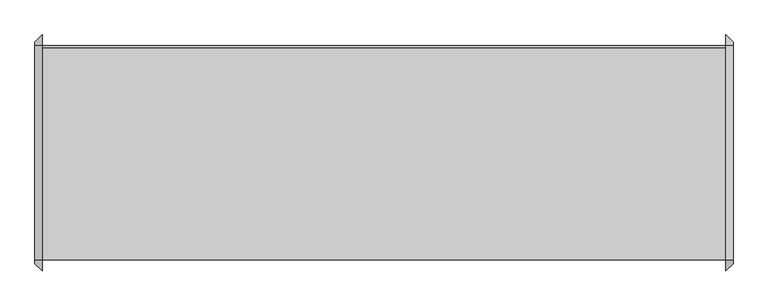
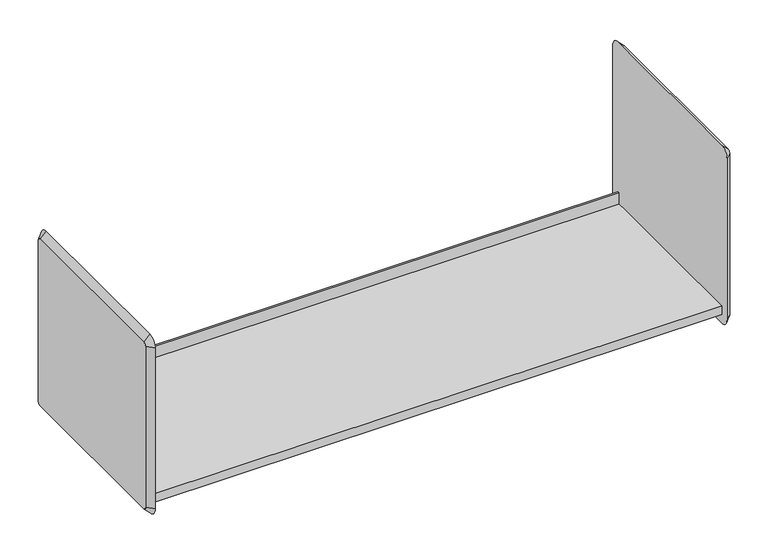
"""IFC4 building model written with IfcOpenShell, lengths in millimetres: furniture geometry."""

import ifcopenshell
import ifcopenshell.guid

model = None  # the IFC model being written
_history = None  # IfcOwnerHistory: only IFC2X3 demands one
_inside = {}  # id of a spatial element -> (the spatial element, [elements in it])
_under = {}  # id of a project, library or spatial element -> (it, [spatial elements below it])
_declared = {}  # id of a project -> (the project, [libraries it declares])
_typed = {}  # id of a type object -> (the type object, [elements of that type])
_made_of = {}  # id of a material, layer set ... -> (it, [elements and type objects made of it])


def new_model(schema):
    """Start an empty IFC model of exactly this schema.

    Asked for "IFC4X3", IfcOpenShell would pick the latest addendum, in which some entities
    have other attributes; the version numbers below select the first issue.
    IFC2X3 requires an IfcOwnerHistory on every rooted entity: one is made here for all.
    """
    global model, _history
    if schema == "IFC4X3":
        model = ifcopenshell.file(schema_version=(4, 3, 0, 0))
    else:
        model = ifcopenshell.file(schema=schema)
    _inside.clear()
    _under.clear()
    _declared.clear()
    _typed.clear()
    _made_of.clear()
    _history = None
    if model.schema == "IFC2X3":
        org = make("IfcOrganization", Name="unknown")
        user = make(
            "IfcPersonAndOrganization",
            ThePerson=make("IfcPerson", FamilyName="unknown"),
            TheOrganization=org,
        )
        app = make(
            "IfcApplication",
            ApplicationDeveloper=org,
            Version="unknown",
            ApplicationFullName="unknown",
            ApplicationIdentifier="unknown",
        )
        _history = make(
            "IfcOwnerHistory",
            OwningUser=user,
            OwningApplication=app,
            ChangeAction="ADDED",
            CreationDate=0,
        )
    return model


def make(cls, **values):
    """One entity of the class cls with the attributes given. An attribute that is None is left unset."""
    return model.create_entity(
        cls, **{name: value for name, value in values.items() if value is not None}
    )


def rooted(cls, **values):
    """An entity with a GlobalId (a new one), such as an element, a storey or a relation."""
    return make(cls, GlobalId=ifcopenshell.guid.new(), OwnerHistory=_history, **values)


def si_unit(unit_type, name, prefix=None):
    """IfcSIUnit, for example si_unit("LENGTHUNIT", "METRE", prefix="MILLI")."""
    return make("IfcSIUnit", UnitType=unit_type, Prefix=prefix, Name=name)


def assignment(units):
    """IfcUnitAssignment: the units of a project."""
    return None if units is None else make("IfcUnitAssignment", Units=units)


def point(xyz):
    """IfcCartesianPoint."""
    return None if xyz is None else make("IfcCartesianPoint", Coordinates=xyz)


def direction(xyz):
    """IfcDirection."""
    return None if xyz is None else make("IfcDirection", DirectionRatios=xyz)


def frame(location, z_axis=None, x_axis=None):
    """IfcAxis2Placement3D, a coordinate frame: its origin and axes. An axis left out is left unset."""
    return make(
        "IfcAxis2Placement3D",
        Location=point(location),
        Axis=direction(z_axis),
        RefDirection=direction(x_axis),
    )


def origin():
    """The frame at (0, 0, 0) with its axes left unset."""
    return frame((0.0, 0.0, 0.0))


def place(relative_to, where):
    """IfcLocalPlacement: puts the frame where relative to a parent placement (None: the world)."""
    return make(
        "IfcLocalPlacement", PlacementRelTo=relative_to, RelativePlacement=where
    )


def context(
    kind, dimensions, precision=None, world=None, true_north=None, identifier=None
):
    """IfcGeometricRepresentationContext, for example the 3D "Model" context."""
    return make(
        "IfcGeometricRepresentationContext",
        ContextIdentifier=identifier,
        ContextType=kind,
        CoordinateSpaceDimension=dimensions,
        Precision=precision,
        WorldCoordinateSystem=world,
        TrueNorth=true_north,
    )


def project(units=None, contexts=None):
    """IfcProject with its units and contexts."""
    return rooted(
        "IfcProject",
        Name="project",
        RepresentationContexts=contexts,
        UnitsInContext=assignment(units),
    )


def spatial(cls, under=None, at=None, **own):
    """A site, building, storey or space (cls), placed at a placement, below another one or the project."""
    s = rooted(cls, ObjectPlacement=at, **own)
    if under is not None:
        _under.setdefault(under.id(), (under, []))[1].append(s)
    return s


def polyline(points):
    """IfcPolyline through the points."""
    return make("IfcPolyline", Points=[point(p) for p in points])


def circle_curve(where, radius):
    """IfcCircle in the frame where."""
    return make("IfcCircle", Position=where, Radius=radius)


def outline(outer, holes=None, kind="AREA"):
    """IfcArbitraryClosedProfileDef: a profile drawn as a closed curve; with holes, ...WithVoids."""
    if holes is None:
        return make("IfcArbitraryClosedProfileDef", ProfileType=kind, OuterCurve=outer)
    return make(
        "IfcArbitraryProfileDefWithVoids",
        ProfileType=kind,
        OuterCurve=outer,
        InnerCurves=holes,
    )


def extrude(swept, where, along, depth):
    """IfcExtrudedAreaSolid: the profile swept, set in the frame where, extruded along a direction by depth."""
    return make(
        "IfcExtrudedAreaSolid",
        SweptArea=swept,
        Position=where,
        ExtrudedDirection=direction(along),
        Depth=depth,
    )


def shape(context_of_items, identifier, shape_type, items):
    """IfcShapeRepresentation: the items that make up one representation, for example the "Body"."""
    return make(
        "IfcShapeRepresentation",
        ContextOfItems=context_of_items,
        RepresentationIdentifier=identifier,
        RepresentationType=shape_type,
        Items=items,
    )


def source(mapping_origin, context_of_items, identifier, shape_type, items):
    """IfcRepresentationMap: a shape defined once, which mapped items show again and again."""
    return make(
        "IfcRepresentationMap",
        MappingOrigin=mapping_origin,
        MappedRepresentation=shape(context_of_items, identifier, shape_type, items),
    )


def transform(
    local_origin,
    x_axis=None,
    y_axis=None,
    z_axis=None,
    scale=None,
    scale2=None,
    scale3=None,
    uniform=True,
):
    """IfcCartesianTransformationOperator3D, or its non-uniform kind. x_axis, y_axis, z_axis: its Axis1, 2, 3."""
    if uniform:
        return make(
            "IfcCartesianTransformationOperator3D",
            Axis1=direction(x_axis),
            Axis2=direction(y_axis),
            LocalOrigin=point(local_origin),
            Scale=scale,
            Axis3=direction(z_axis),
        )
    return make(
        "IfcCartesianTransformationOperator3DnonUniform",
        Axis1=direction(x_axis),
        Axis2=direction(y_axis),
        LocalOrigin=point(local_origin),
        Scale=scale,
        Axis3=direction(z_axis),
        Scale2=scale2,
        Scale3=scale3,
    )


def mapped(mapping_source, mapping_target):
    """IfcMappedItem: shows the shape of a source again, moved by a transform."""
    return make(
        "IfcMappedItem", MappingSource=mapping_source, MappingTarget=mapping_target
    )


def made_of(thing, what):
    """Note that an element or type object is made of a material, layer set ...; save() writes the relation."""
    if what is not None:
        _made_of.setdefault(what.id(), (what, []))[1].append(thing)
    return thing


def element(
    cls,
    number,
    at=None,
    inside=None,
    cuts=None,
    type_object=None,
    material=None,
    context=None,
    identifier="Body",
    shape_type=None,
    held_by="IfcProductDefinitionShape",
    body=None,
    shapes=None,
    **own,
):
    """One element of the class cls, such as IfcWall. Its Tag is "e" and its number.

    at: its placement. inside: the storey or other place that contains it. cuts: it is an
    opening in that element (IfcRelVoidsElement). A single representation is given by context,
    identifier, shape_type and body (its items); several are given by shapes. held_by: the class
    of the entity that holds the representations. save() writes the other relations.
    """
    e = rooted(cls, Tag="e%d" % number, ObjectPlacement=at, **own)
    if body is not None:
        shapes = [shape(context, identifier, shape_type, body)]
    if shapes is not None:
        e.Representation = make(held_by, Representations=shapes)
    if inside is not None:
        _inside.setdefault(inside.id(), (inside, []))[1].append(e)
    if cuts is not None:
        rooted(
            "IfcRelVoidsElement", RelatingBuildingElement=cuts, RelatedOpeningElement=e
        )
    if type_object is not None:
        _typed.setdefault(type_object.id(), (type_object, []))[1].append(e)
    return made_of(e, material)


def aggregate(whole, parts):
    """IfcRelAggregates: a whole, such as a stair, and the parts it consists of."""
    return rooted("IfcRelAggregates", RelatingObject=whole, RelatedObjects=parts)


def save(model, path):
    """Write the relations noted so far, then the file.

    IfcRelAggregates (storeys below a building ...), IfcRelContainedInSpatialStructure (elements
    in a storey), IfcRelDefinesByType, IfcRelAssociatesMaterial and IfcRelDeclares: one each for
    every whole, place, type object, material and project.
    """
    for whole, parts in _under.values():
        aggregate(whole, parts)
    for where, things in _inside.values():
        rooted(
            "IfcRelContainedInSpatialStructure",
            RelatedElements=things,
            RelatingStructure=where,
        )
    for kind, things in _typed.values():
        rooted("IfcRelDefinesByType", RelatedObjects=things, RelatingType=kind)
    for what, things in _made_of.values():
        rooted("IfcRelAssociatesMaterial", RelatedObjects=things, RelatingMaterial=what)
    for by, libraries in _declared.values():
        rooted("IfcRelDeclares", RelatingContext=by, RelatedDefinitions=libraries)
    model.write(path)


def plane_surface(at):
    """IfcPlane: the flat surface through the origin of the frame at, square to its z axis."""
    return make("IfcPlane", Position=at)


def revolved_surface(curve, axis_point, axis_direction):
    """IfcSurfaceOfRevolution: the curve turned about the line through axis_point along axis_direction."""
    return make(
        "IfcSurfaceOfRevolution",
        SweptCurve=make("IfcArbitraryOpenProfileDef", ProfileType="CURVE", Curve=curve),
        AxisPosition=make("IfcAxis1Placement", Location=point(axis_point), Axis=direction(axis_direction)),
    )


def advanced_brep(points, edges, surfaces, faces):
    """IfcAdvancedBrep: a solid bounded by faces that lie on surfaces and meet in shared edges.

    An edge is (start, end): straight between two places in points (the first is 0);
    or (start, end, curve); or (start, end, curve, False) where it runs against its curve.
    A face is (place in surfaces, loops), or (place, loops, False) where it looks against
    its surface's normal. A loop lists edges by number (the first is 1), with a minus sign
    where the edge is run from its end to its start. The first loop is the outer one.
    """
    corners = [point(p) for p in points]
    vertices = [make("IfcVertexPoint", VertexGeometry=c) for c in corners]
    made = []
    for start, end, *more in edges:
        made.append(
            make(
                "IfcEdgeCurve",
                EdgeStart=vertices[start],
                EdgeEnd=vertices[end],
                EdgeGeometry=more[0] if more else make("IfcPolyline", Points=[corners[start], corners[end]]),
                SameSense=more[1] if len(more) > 1 else True,
            )
        )
    hull = []
    for where, loops, *sense in faces:
        bounds = []
        for j, loop in enumerate(loops):
            ring = [make("IfcOrientedEdge", EdgeElement=made[abs(k) - 1], Orientation=k > 0) for k in loop]
            bounds.append(
                make(
                    "IfcFaceOuterBound" if j == 0 else "IfcFaceBound",
                    Bound=make("IfcEdgeLoop", EdgeList=ring),
                    Orientation=True,
                )
            )
        hull.append(make("IfcAdvancedFace", Bounds=bounds, FaceSurface=surfaces[where], SameSense=sense[0] if sense else True))
    return make("IfcAdvancedBrep", Outer=make("IfcClosedShell", CfsFaces=hull))


def furniture_29326329(model_context):
    return source(origin(), model_context, "Body", "SolidModel", [
        extrude(outline(polyline([(-174.625, 1676.4), (196.85, 1676.4), (196.85, 1701.8), (200.025, 1701.8), (200.025, 1657.3152313), (-174.625, 1657.3152313), (-174.625, 1676.4)])), frame((-720.8420045, 0.0, 0.0), z_axis=(1.0, 0.0, 0.0), x_axis=(0.0, 1.0, 0.0)), (0.0, 0.0, 1.0), 1193.8),
        advanced_brep(
        [(485.6579955, 200.025, 2019.3), (485.6579955, -174.625, 2019.3), (485.6579955, -180.975, 2012.95), (485.6579955, -180.975, 1657.35), (485.6579955, -174.625, 1651.0), (485.6579955, 200.025, 1651.0), (485.6579955, 206.375, 1657.35), (485.6579955, 206.375, 2012.95), (472.9579955, 200.025, 2032.0), (472.9579955, 219.075, 2012.95), (472.9579955, 219.075, 1657.35), (472.9579955, 200.025, 1638.3), (472.9579955, -174.625, 1638.3), (472.9579955, -193.675, 1657.35), (472.9579955, -193.675, 2012.95), (472.9579955, -174.625, 2032.0)],
        [
            (0, 1),
            (1, 2, circle_curve(frame((485.6579955, -174.625, 2012.95), z_axis=(1.0, 0.0, 0.0), x_axis=(0.0, 0.0, 1.0)), 6.35)),
            (2, 3),
            (3, 4, circle_curve(frame((485.6579955, -174.625, 1657.35), z_axis=(1.0, 0.0, 0.0), x_axis=(0.0, -1.0, 0.0)), 6.35)),
            (4, 5),
            (5, 6, circle_curve(frame((485.6579955, 200.025, 1657.35), z_axis=(1.0, 0.0, 0.0), x_axis=(0.0, 0.0, -1.0)), 6.35)),
            (6, 7),
            (7, 0, circle_curve(frame((485.6579955, 200.025, 2012.95), z_axis=(1.0, 0.0, 0.0), x_axis=(0.0, 1.0, 0.0)), 6.35)),
            (8, 9, circle_curve(frame((472.9579955, 200.025, 2012.95), z_axis=(-1.0, 0.0, 0.0), x_axis=(0.0, 1.0, 0.0)), 19.05)),
            (9, 10),
            (10, 11, circle_curve(frame((472.9579955, 200.025, 1657.35), z_axis=(-1.0, 0.0, 0.0), x_axis=(0.0, 0.0, -1.0)), 19.05)),
            (11, 12),
            (12, 13, circle_curve(frame((472.9579955, -174.625, 1657.35), z_axis=(-1.0, 0.0, 0.0), x_axis=(0.0, -1.0, 0.0)), 19.05)),
            (13, 14),
            (14, 15, circle_curve(frame((472.9579955, -174.625, 2012.95), z_axis=(-1.0, 0.0, 0.0), x_axis=(0.0, 0.0, 1.0)), 19.05)),
            (15, 8),
            (15, 1),
            (0, 8),
            (14, 2),
            (13, 3),
            (12, 4),
            (11, 5),
            (10, 6),
            (9, 7),
        ],
        [
            plane_surface(frame((485.6579955, 12.7, 1835.15), z_axis=(1.0, 0.0, 0.0), x_axis=(0.0, -1.0, 0.0))),
            plane_surface(frame((472.9579955, 12.7, 1835.15), z_axis=(-1.0, 0.0, 0.0), x_axis=(0.0, -1.0, 0.0))),
            plane_surface(frame((472.9579955, 12.7, 2032.0), z_axis=(0.7071067811862932, 0.0, 0.7071067811868019), x_axis=(0.0, -1.0, 0.0))),
            revolved_surface(polyline([(485.6579955, -174.625, 2019.3), (472.9579955, -174.625, 2032.0)]), (492.0079955, -174.625, 2012.95), (-1.0, 0.0, 0.0)),
            plane_surface(frame((472.9579955, -193.675, 1835.15), z_axis=(0.7071067811862574, -0.7071067811868377, 0.0), x_axis=(0.0, 0.0, -1.0))),
            revolved_surface(polyline([(485.6579955, -180.97499999999997, 1657.35), (472.9579955, -193.675, 1657.35)]), (492.0079955, -174.625, 1657.35), (-1.0, 0.0, 0.0)),
            plane_surface(frame((472.9579955, 12.7, 1638.3), z_axis=(0.7071067811862479, 0.0, -0.7071067811868471), x_axis=(0.0, 1.0, 0.0))),
            revolved_surface(polyline([(485.6579955, 200.025, 1651.0), (472.9579955, 200.025, 1638.3)]), (492.0079955, 200.025, 1657.35), (-1.0, 0.0, 0.0)),
            plane_surface(frame((472.9579955, 219.075, 1835.15), z_axis=(0.7071067811862565, 0.7071067811868387, 0.0), x_axis=(0.0, 0.0, 1.0))),
            revolved_surface(polyline([(485.6579955, 206.37499999999997, 2012.95), (472.9579955, 219.075, 2012.95)]), (492.0079955, 200.025, 2012.95), (-1.0, 0.0, 0.0)),
        ],
        [
            (0, [[1, 2, 3, 4, 5, 6, 7, 8]]),
            (1, [[9, 10, 11, 12, 13, 14, 15, 16]]),
            (2, [[-16, 17, -1, 18]]),
            (3, [[-15, 19, -2, -17]]),
            (4, [[-14, 20, -3, -19]]),
            (5, [[-13, 21, -4, -20]]),
            (6, [[-12, 22, -5, -21]]),
            (7, [[-11, 23, -6, -22]]),
            (8, [[-10, 24, -7, -23]]),
            (9, [[-9, -18, -8, -24]]),
        ],
    ),
        advanced_brep(
        [(-733.5420045, -174.625, 2019.3), (-733.5420045, 200.025, 2019.3), (-733.5420045, 206.375, 2012.95), (-733.5420045, 206.375, 1657.35), (-733.5420045, 200.025, 1651.0), (-733.5420045, -174.625, 1651.0), (-733.5420045, -180.975, 1657.35), (-733.5420045, -180.975, 2012.95), (-720.8420045, -174.625, 2032.0), (-720.8420045, -193.675, 2012.95), (-720.8420045, -193.675, 1657.35), (-720.8420045, -174.625, 1638.3), (-720.8420045, 200.025, 1638.3), (-720.8420045, 219.075, 1657.35), (-720.8420045, 219.075, 2012.95), (-720.8420045, 200.025, 2032.0)],
        [
            (0, 1),
            (1, 2, circle_curve(frame((-733.5420045, 200.025, 2012.95), z_axis=(-1.0, 0.0, 0.0), x_axis=(0.0, 0.0, 1.0)), 6.35)),
            (2, 3),
            (3, 4, circle_curve(frame((-733.5420045, 200.025, 1657.35), z_axis=(-1.0, 0.0, 0.0), x_axis=(0.0, 1.0, 0.0)), 6.35)),
            (4, 5),
            (5, 6, circle_curve(frame((-733.5420045, -174.625, 1657.35), z_axis=(-1.0, 0.0, 0.0), x_axis=(0.0, 0.0, -1.0)), 6.35)),
            (6, 7),
            (7, 0, circle_curve(frame((-733.5420045, -174.625, 2012.95), z_axis=(-1.0, 0.0, 0.0), x_axis=(0.0, -1.0, 0.0)), 6.35)),
            (8, 9, circle_curve(frame((-720.8420045, -174.625, 2012.95), z_axis=(1.0, 0.0, 0.0), x_axis=(0.0, -1.0, 0.0)), 19.05)),
            (9, 10),
            (10, 11, circle_curve(frame((-720.8420045, -174.625, 1657.35), z_axis=(1.0, 0.0, 0.0), x_axis=(0.0, 0.0, -1.0)), 19.05)),
            (11, 12),
            (12, 13, circle_curve(frame((-720.8420045, 200.025, 1657.35), z_axis=(1.0, 0.0, 0.0), x_axis=(0.0, 1.0, 0.0)), 19.05)),
            (13, 14),
            (14, 15, circle_curve(frame((-720.8420045, 200.025, 2012.95), z_axis=(1.0, 0.0, 0.0), x_axis=(0.0, 0.0, 1.0)), 19.05)),
            (15, 8),
            (15, 1),
            (0, 8),
            (14, 2),
            (13, 3),
            (12, 4),
            (11, 5),
            (10, 6),
            (9, 7),
        ],
        [
            plane_surface(frame((-733.5420045, 12.7, 1835.15), z_axis=(-1.0, 0.0, 0.0), x_axis=(0.0, -1.0, 0.0))),
            plane_surface(frame((-720.8420045, 12.7, 1835.15), z_axis=(1.0, 0.0, 0.0), x_axis=(0.0, -1.0, 0.0))),
            plane_surface(frame((-720.8420045, 12.7, 2032.0), z_axis=(-0.7071067811865287, 0.0, 0.7071067811865663), x_axis=(0.0, 1.0, 0.0))),
            revolved_surface(polyline([(-733.5420045, 200.025, 2019.3000000000002), (-720.8420045, 200.025, 2032.0)]), (-739.8920045, 200.025, 2012.95), (1.0, 0.0, 0.0)),
            plane_surface(frame((-720.8420045, 219.075, 1835.15), z_axis=(-0.7071067811865598, 0.7071067811865354, 0.0), x_axis=(0.0, 0.0, -1.0))),
            revolved_surface(polyline([(-733.5420045, 206.37500000000003, 1657.35), (-720.8420045, 219.075, 1657.35)]), (-739.8920045, 200.025, 1657.35), (1.0, 0.0, 0.0)),
            plane_surface(frame((-720.8420045, 12.7, 1638.3), z_axis=(-0.7071067811865589, 0.0, -0.7071067811865362), x_axis=(0.0, -1.0, 0.0))),
            revolved_surface(polyline([(-733.5420045, -174.625, 1651.0), (-720.8420045, -174.625, 1638.3)]), (-739.8920045, -174.625, 1657.35), (1.0, 0.0, 0.0)),
            plane_surface(frame((-720.8420045, -193.675, 1835.15), z_axis=(-0.7071067811866003, -0.7071067811864948, 0.0), x_axis=(0.0, 0.0, 1.0))),
            revolved_surface(polyline([(-733.5420045, -180.97500000000005, 2012.95), (-720.8420045, -193.675, 2012.95)]), (-739.8920045, -174.625, 2012.95), (1.0, 0.0, 0.0)),
        ],
        [
            (0, [[1, 2, 3, 4, 5, 6, 7, 8]]),
            (1, [[9, 10, 11, 12, 13, 14, 15, 16]]),
            (2, [[-16, 17, -1, 18]]),
            (3, [[-15, 19, -2, -17]]),
            (4, [[-14, 20, -3, -19]]),
            (5, [[-13, 21, -4, -20]]),
            (6, [[-12, 22, -5, -21]]),
            (7, [[-11, 23, -6, -22]]),
            (8, [[-10, 24, -7, -23]]),
            (9, [[-9, -18, -8, -24]]),
        ],
    ),
    ])


if __name__ == "__main__":
    model = new_model("IFC4")
    model_context = context("Model", 3, world=origin())
    ifc_project = project(units=[si_unit("LENGTHUNIT", "METRE", prefix="MILLI")], contexts=[model_context])
    site = spatial("IfcSite", under=ifc_project)
    building = spatial("IfcBuilding", under=site)
    placement = place(None, origin())
    furniture_shape = furniture_29326329(model_context)
    element("IfcFurniture", 1, at=placement, inside=building, context=model_context, shape_type="MappedRepresentation", body=[
        mapped(furniture_shape, transform((0.0, 0.0, 0.0), x_axis=(1.0, 0.0, 0.0), y_axis=(0.0, 1.0, 0.0), z_axis=(0.0, 0.0, 1.0))),
    ])
    save(model, "model.ifc")
